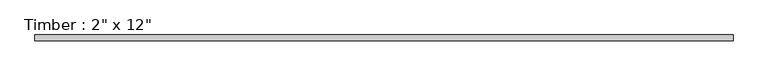
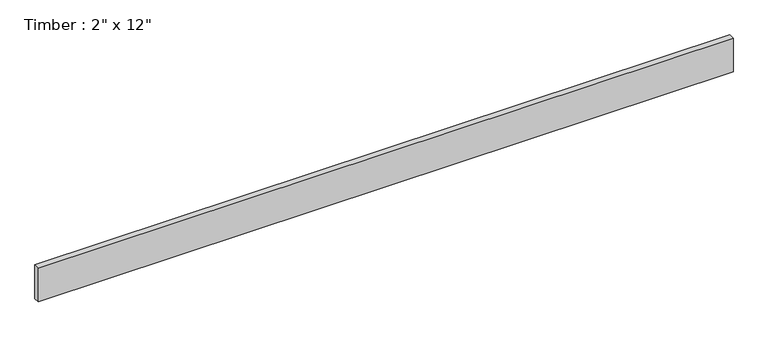
"""IFC4 building model written with IfcOpenShell, lengths in millimetres: beam geometry."""

from ifc_helpers import new_model, si_unit, frame, origin, place, context, project, spatial, polyline, outline, extrude, source, transform, mapped, element, save


def beam_58264f4e(model_context):
    return source(origin(), model_context, "Body", "SweptSolid", [
        extrude(outline(polyline([(2986.7653413, 25.4), (2986.7653413, -25.4), (-2986.7653413, -25.4), (-2986.7653413, 25.4), (2986.7653413, 25.4)])), frame((0.0, 0.0, -152.4), z_axis=(0.0, 0.0, 1.0), x_axis=(1.0, 0.0, 0.0)), (0.0, 0.0, 1.0), 304.8),
    ])


if __name__ == "__main__":
    model = new_model("IFC4")
    model_context = context("Model", 3, world=origin())
    ifc_project = project(units=[si_unit("LENGTHUNIT", "METRE", prefix="MILLI")], contexts=[model_context])
    site = spatial("IfcSite", under=ifc_project)
    building = spatial("IfcBuilding", under=site)
    placement = place(None, origin())
    beam_shape = beam_58264f4e(model_context)
    element("IfcBeam", 1, ObjectType="Timber : 2\" x 12\"", at=placement, inside=building, context=model_context, shape_type="MappedRepresentation", body=[
        mapped(beam_shape, transform((0.0, 0.0, 0.0), x_axis=(1.0, 0.0, 0.0), y_axis=(0.0, 1.0, 0.0), z_axis=(0.0, 0.0, 1.0))),
    ])
    save(model, "model.ifc")
